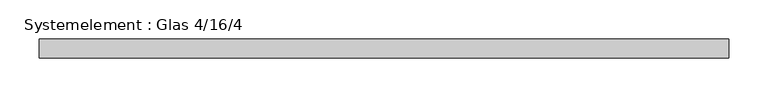
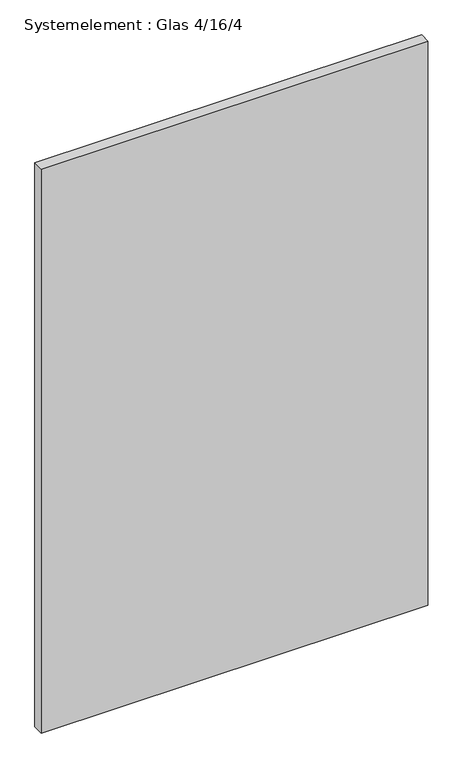
"""IFC4 building model written with IfcOpenShell, lengths in millimetres: plate geometry, Systemelement : Glas 4/16/4."""

from ifc_helpers import new_model, si_unit, origin, origin_with_axes, place, context, project, spatial, polyline, outline, extrude, source, transform, mapped, element, save


def systemelement_glas_4_16_4_0851ed9d(model_context):
    return source(origin(), model_context, "Body", "SweptSolid", [
        extrude(outline(polyline([(436.2500001, -12.0), (-436.2500001, -12.0), (-436.2500001, 12.0), (436.2500001, 12.0), (436.2500001, -12.0)])), origin_with_axes(), (0.0, 0.0, 1.0), 1345.0),
    ])


if __name__ == "__main__":
    model = new_model("IFC4")
    model_context = context("Model", 3, world=origin())
    ifc_project = project(units=[si_unit("LENGTHUNIT", "METRE", prefix="MILLI")], contexts=[model_context])
    site = spatial("IfcSite", under=ifc_project)
    building = spatial("IfcBuilding", under=site)
    placement = place(None, origin())
    systemelement_glas_4_16_4_shape = systemelement_glas_4_16_4_0851ed9d(model_context)
    element("IfcPlate", 1, ObjectType="Systemelement : Glas 4/16/4", at=placement, inside=building, context=model_context, shape_type="MappedRepresentation", body=[
        mapped(systemelement_glas_4_16_4_shape, transform((0.0, 0.0, 0.0), x_axis=(1.0, 0.0, 0.0), y_axis=(0.0, 1.0, 0.0), z_axis=(0.0, 0.0, 1.0))),
    ])
    save(model, "model.ifc")
